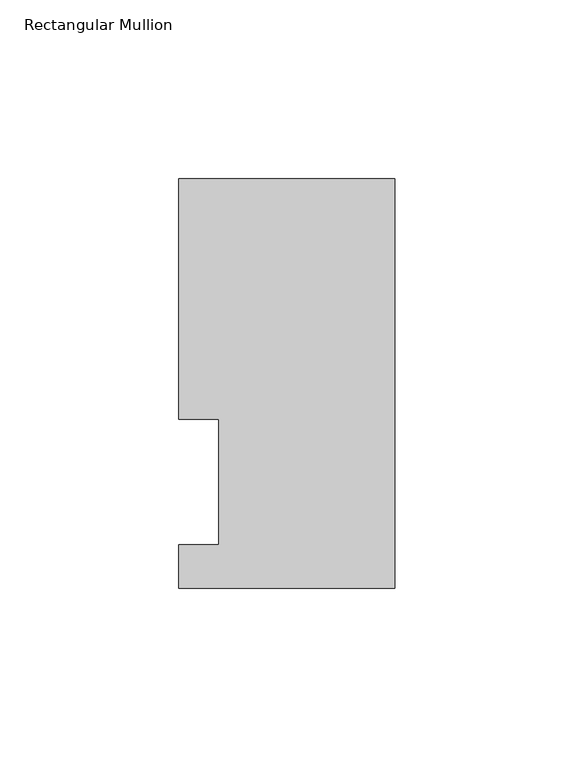
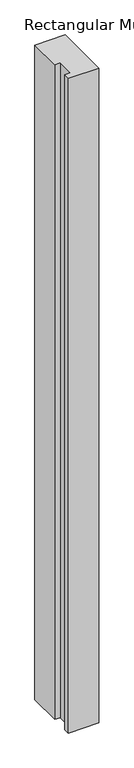
"""IFC4 building model written with IfcOpenShell, lengths in millimetres: member geometry, Rectangular Mullion."""

from ifc_helpers import new_model, si_unit, frame, origin, place, context, project, spatial, polyline, outline, extrude, source, transform, mapped, element, save


def rectangular_mullion_7c7c0eeb(model_context):
    return source(origin(), model_context, "Body", "SweptSolid", [
        extrude(outline(polyline([(0.0, 114.252375), (0.0, -0.047625), (-60.325, -0.047625), (-60.325, 12.144375), (-49.2125, 12.144375), (-49.2125, 47.069375), (-60.325, 47.069375), (-60.325, 114.252375), (0.0, 114.252375)])), frame((0.0, 0.0, -1365.25), z_axis=(0.0, 0.0, 1.0), x_axis=(1.0, 0.0, 0.0)), (0.0, 0.0, 1.0), 1365.25),
    ])


if __name__ == "__main__":
    model = new_model("IFC4")
    model_context = context("Model", 3, world=origin())
    ifc_project = project(units=[si_unit("LENGTHUNIT", "METRE", prefix="MILLI")], contexts=[model_context])
    site = spatial("IfcSite", under=ifc_project)
    building = spatial("IfcBuilding", under=site)
    placement = place(None, origin())
    rectangular_mullion_shape = rectangular_mullion_7c7c0eeb(model_context)
    element("IfcMember", 1, ObjectType="Rectangular Mullion", at=placement, inside=building, context=model_context, shape_type="MappedRepresentation", body=[
        mapped(rectangular_mullion_shape, transform((0.0, 0.0, 0.0), x_axis=(1.0, 0.0, 0.0), y_axis=(0.0, 1.0, 0.0), z_axis=(0.0, 0.0, 1.0))),
    ])
    save(model, "model.ifc")
